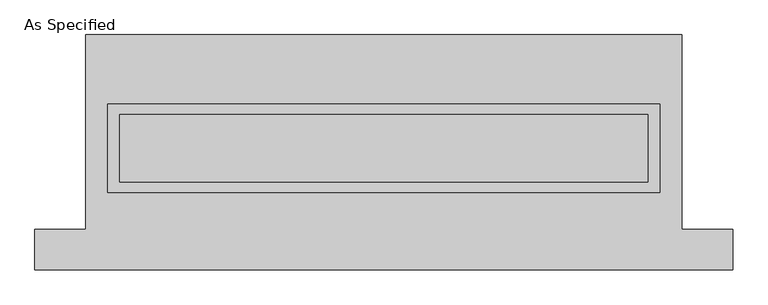
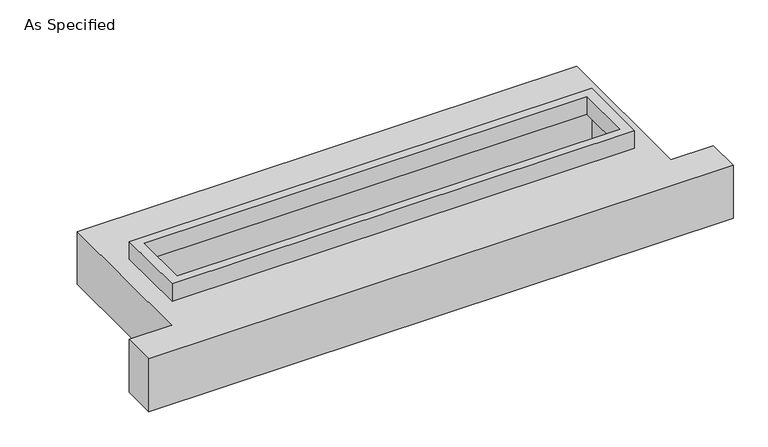
"""IFC4 building model written with IfcOpenShell, lengths in millimetres: proxy geometry, As Specified."""

import ifcopenshell
import ifcopenshell.guid

model = None  # the IFC model being written
_history = None  # IfcOwnerHistory: only IFC2X3 demands one
_inside = {}  # id of a spatial element -> (the spatial element, [elements in it])
_under = {}  # id of a project, library or spatial element -> (it, [spatial elements below it])
_declared = {}  # id of a project -> (the project, [libraries it declares])
_typed = {}  # id of a type object -> (the type object, [elements of that type])
_made_of = {}  # id of a material, layer set ... -> (it, [elements and type objects made of it])


def new_model(schema):
    """Start an empty IFC model of exactly this schema.

    Asked for "IFC4X3", IfcOpenShell would pick the latest addendum, in which some entities
    have other attributes; the version numbers below select the first issue.
    IFC2X3 requires an IfcOwnerHistory on every rooted entity: one is made here for all.
    """
    global model, _history
    if schema == "IFC4X3":
        model = ifcopenshell.file(schema_version=(4, 3, 0, 0))
    else:
        model = ifcopenshell.file(schema=schema)
    _inside.clear()
    _under.clear()
    _declared.clear()
    _typed.clear()
    _made_of.clear()
    _history = None
    if model.schema == "IFC2X3":
        org = make("IfcOrganization", Name="unknown")
        user = make(
            "IfcPersonAndOrganization",
            ThePerson=make("IfcPerson", FamilyName="unknown"),
            TheOrganization=org,
        )
        app = make(
            "IfcApplication",
            ApplicationDeveloper=org,
            Version="unknown",
            ApplicationFullName="unknown",
            ApplicationIdentifier="unknown",
        )
        _history = make(
            "IfcOwnerHistory",
            OwningUser=user,
            OwningApplication=app,
            ChangeAction="ADDED",
            CreationDate=0,
        )
    return model


def make(cls, **values):
    """One entity of the class cls with the attributes given. An attribute that is None is left unset."""
    return model.create_entity(
        cls, **{name: value for name, value in values.items() if value is not None}
    )


def rooted(cls, **values):
    """An entity with a GlobalId (a new one), such as an element, a storey or a relation."""
    return make(cls, GlobalId=ifcopenshell.guid.new(), OwnerHistory=_history, **values)


def si_unit(unit_type, name, prefix=None):
    """IfcSIUnit, for example si_unit("LENGTHUNIT", "METRE", prefix="MILLI")."""
    return make("IfcSIUnit", UnitType=unit_type, Prefix=prefix, Name=name)


def assignment(units):
    """IfcUnitAssignment: the units of a project."""
    return None if units is None else make("IfcUnitAssignment", Units=units)


def point(xyz):
    """IfcCartesianPoint."""
    return None if xyz is None else make("IfcCartesianPoint", Coordinates=xyz)


def direction(xyz):
    """IfcDirection."""
    return None if xyz is None else make("IfcDirection", DirectionRatios=xyz)


def frame(location, z_axis=None, x_axis=None):
    """IfcAxis2Placement3D, a coordinate frame: its origin and axes. An axis left out is left unset."""
    return make(
        "IfcAxis2Placement3D",
        Location=point(location),
        Axis=direction(z_axis),
        RefDirection=direction(x_axis),
    )


def origin():
    """The frame at (0, 0, 0) with its axes left unset."""
    return frame((0.0, 0.0, 0.0))


def place(relative_to, where):
    """IfcLocalPlacement: puts the frame where relative to a parent placement (None: the world)."""
    return make(
        "IfcLocalPlacement", PlacementRelTo=relative_to, RelativePlacement=where
    )


def context(
    kind, dimensions, precision=None, world=None, true_north=None, identifier=None
):
    """IfcGeometricRepresentationContext, for example the 3D "Model" context."""
    return make(
        "IfcGeometricRepresentationContext",
        ContextIdentifier=identifier,
        ContextType=kind,
        CoordinateSpaceDimension=dimensions,
        Precision=precision,
        WorldCoordinateSystem=world,
        TrueNorth=true_north,
    )


def project(units=None, contexts=None):
    """IfcProject with its units and contexts."""
    return rooted(
        "IfcProject",
        Name="project",
        RepresentationContexts=contexts,
        UnitsInContext=assignment(units),
    )


def spatial(cls, under=None, at=None, **own):
    """A site, building, storey or space (cls), placed at a placement, below another one or the project."""
    s = rooted(cls, ObjectPlacement=at, **own)
    if under is not None:
        _under.setdefault(under.id(), (under, []))[1].append(s)
    return s


def polyline(points):
    """IfcPolyline through the points."""
    return make("IfcPolyline", Points=[point(p) for p in points])


def outline(outer, holes=None, kind="AREA"):
    """IfcArbitraryClosedProfileDef: a profile drawn as a closed curve; with holes, ...WithVoids."""
    if holes is None:
        return make("IfcArbitraryClosedProfileDef", ProfileType=kind, OuterCurve=outer)
    return make(
        "IfcArbitraryProfileDefWithVoids",
        ProfileType=kind,
        OuterCurve=outer,
        InnerCurves=holes,
    )


def extrude(swept, where, along, depth):
    """IfcExtrudedAreaSolid: the profile swept, set in the frame where, extruded along a direction by depth."""
    return make(
        "IfcExtrudedAreaSolid",
        SweptArea=swept,
        Position=where,
        ExtrudedDirection=direction(along),
        Depth=depth,
    )


def faces_of(points, faces, orient=None, outer=None):
    """IfcFace entities. A face is a list of loops; a loop is a list of indices into points, from 0.

    orient and outer hold one flag for each loop. By default every Orientation is true, the
    first loop of a face is its IfcFaceOuterBound and the others are IfcFaceBound.
    """
    made = []
    for i, loops in enumerate(faces):
        bounds = []
        for j, loop in enumerate(loops):
            is_outer = j == 0 if outer is None else outer[i][j]
            bounds.append(
                make(
                    "IfcFaceOuterBound" if is_outer else "IfcFaceBound",
                    Bound=make("IfcPolyLoop", Polygon=[points[k] for k in loop]),
                    Orientation=True if orient is None else orient[i][j],
                )
            )
        made.append(make("IfcFace", Bounds=bounds))
    return made


def faceted_brep(points, faces, orient=None, outer=None, voids=None):
    """IfcFacetedBrep: a solid bounded by flat faces; with voids (closed shells), ...WithVoids."""
    shared = [point(p) for p in points]
    hull = make("IfcClosedShell", CfsFaces=faces_of(shared, faces, orient, outer))
    if voids is None:
        return make("IfcFacetedBrep", Outer=hull)
    return make(
        "IfcFacetedBrepWithVoids",
        Outer=hull,
        Voids=[
            make(cls, CfsFaces=faces_of(shared, fs, o, b)) for cls, fs, o, b in voids
        ],
    )


def shape(context_of_items, identifier, shape_type, items):
    """IfcShapeRepresentation: the items that make up one representation, for example the "Body"."""
    return make(
        "IfcShapeRepresentation",
        ContextOfItems=context_of_items,
        RepresentationIdentifier=identifier,
        RepresentationType=shape_type,
        Items=items,
    )


def source(mapping_origin, context_of_items, identifier, shape_type, items):
    """IfcRepresentationMap: a shape defined once, which mapped items show again and again."""
    return make(
        "IfcRepresentationMap",
        MappingOrigin=mapping_origin,
        MappedRepresentation=shape(context_of_items, identifier, shape_type, items),
    )


def transform(
    local_origin,
    x_axis=None,
    y_axis=None,
    z_axis=None,
    scale=None,
    scale2=None,
    scale3=None,
    uniform=True,
):
    """IfcCartesianTransformationOperator3D, or its non-uniform kind. x_axis, y_axis, z_axis: its Axis1, 2, 3."""
    if uniform:
        return make(
            "IfcCartesianTransformationOperator3D",
            Axis1=direction(x_axis),
            Axis2=direction(y_axis),
            LocalOrigin=point(local_origin),
            Scale=scale,
            Axis3=direction(z_axis),
        )
    return make(
        "IfcCartesianTransformationOperator3DnonUniform",
        Axis1=direction(x_axis),
        Axis2=direction(y_axis),
        LocalOrigin=point(local_origin),
        Scale=scale,
        Axis3=direction(z_axis),
        Scale2=scale2,
        Scale3=scale3,
    )


def mapped(mapping_source, mapping_target):
    """IfcMappedItem: shows the shape of a source again, moved by a transform."""
    return make(
        "IfcMappedItem", MappingSource=mapping_source, MappingTarget=mapping_target
    )


def made_of(thing, what):
    """Note that an element or type object is made of a material, layer set ...; save() writes the relation."""
    if what is not None:
        _made_of.setdefault(what.id(), (what, []))[1].append(thing)
    return thing


def element(
    cls,
    number,
    at=None,
    inside=None,
    cuts=None,
    type_object=None,
    material=None,
    context=None,
    identifier="Body",
    shape_type=None,
    held_by="IfcProductDefinitionShape",
    body=None,
    shapes=None,
    **own,
):
    """One element of the class cls, such as IfcWall. Its Tag is "e" and its number.

    at: its placement. inside: the storey or other place that contains it. cuts: it is an
    opening in that element (IfcRelVoidsElement). A single representation is given by context,
    identifier, shape_type and body (its items); several are given by shapes. held_by: the class
    of the entity that holds the representations. save() writes the other relations.
    """
    e = rooted(cls, Tag="e%d" % number, ObjectPlacement=at, **own)
    if body is not None:
        shapes = [shape(context, identifier, shape_type, body)]
    if shapes is not None:
        e.Representation = make(held_by, Representations=shapes)
    if inside is not None:
        _inside.setdefault(inside.id(), (inside, []))[1].append(e)
    if cuts is not None:
        rooted(
            "IfcRelVoidsElement", RelatingBuildingElement=cuts, RelatedOpeningElement=e
        )
    if type_object is not None:
        _typed.setdefault(type_object.id(), (type_object, []))[1].append(e)
    return made_of(e, material)


def aggregate(whole, parts):
    """IfcRelAggregates: a whole, such as a stair, and the parts it consists of."""
    return rooted("IfcRelAggregates", RelatingObject=whole, RelatedObjects=parts)


def save(model, path):
    """Write the relations noted so far, then the file.

    IfcRelAggregates (storeys below a building ...), IfcRelContainedInSpatialStructure (elements
    in a storey), IfcRelDefinesByType, IfcRelAssociatesMaterial and IfcRelDeclares: one each for
    every whole, place, type object, material and project.
    """
    for whole, parts in _under.values():
        aggregate(whole, parts)
    for where, things in _inside.values():
        rooted(
            "IfcRelContainedInSpatialStructure",
            RelatedElements=things,
            RelatingStructure=where,
        )
    for kind, things in _typed.values():
        rooted("IfcRelDefinesByType", RelatedObjects=things, RelatingType=kind)
    for what, things in _made_of.values():
        rooted("IfcRelAssociatesMaterial", RelatedObjects=things, RelatingMaterial=what)
    for by, libraries in _declared.values():
        rooted("IfcRelDeclares", RelatingContext=by, RelatedDefinitions=libraries)
    model.write(path)


def as_specified_cb8fbd40(model_context):
    return source(origin(), model_context, "Body", "SolidModel", [
        extrude(outline(polyline([(2070.1, 361.95), (2070.1, -298.45), (-2070.1, -298.45), (-2070.1, 361.95), (2070.1, 361.95)]), holes=[polyline([(1981.2, 285.75), (-1981.2, 285.75), (-1981.2, -222.25), (1981.2, -222.25), (1981.2, 285.75)])]), frame((0.0, 0.0, -25.4), z_axis=(0.0, 0.0, 1.0), x_axis=(1.0, 0.0, 0.0)), (0.0, 0.0, 1.0), 165.1),
        faceted_brep([(-2235.2, 882.65, -523.875), (2235.2, 882.65, -523.875), (2235.2, -577.85, -523.875), (2616.2, -577.85, -523.875), (2616.2, -882.65, -523.875), (-2616.2, -882.65, -523.875), (-2616.2, -577.85, -523.875), (-2235.2, -577.85, -523.875), (2235.2, 882.65, -25.4), (-2235.2, 882.65, -25.4), (-2235.2, -577.85, -25.4), (-2616.2, -577.85, -25.4), (-2616.2, -882.65, -25.4), (2616.2, -882.65, -25.4), (2616.2, -577.85, -25.4), (2235.2, -577.85, -25.4), (-2070.1, -298.45, -25.4), (-2070.1, 361.95, -25.4), (2070.1, 361.95, -25.4), (2070.1, -298.45, -25.4), (2070.1, 361.95, -498.475), (-2070.1, 361.95, -498.475), (-2070.1, -298.45, -498.475), (2070.1, -298.45, -498.475)], [[[0, 1, 2, 3, 4, 5, 6, 7]], [[8, 9, 10, 11, 12, 13, 14, 15], [16, 17, 18, 19]], [[1, 0, 9, 8]], [[9, 0, 7, 10]], [[1, 8, 15, 2]], [[20, 21, 22, 23]], [[22, 21, 17, 16]], [[21, 20, 18, 17]], [[20, 23, 19, 18]], [[23, 22, 16, 19]], [[5, 4, 13, 12]], [[3, 2, 15, 14]], [[4, 3, 14, 13]], [[7, 6, 11, 10]], [[6, 5, 12, 11]]]),
    ])


if __name__ == "__main__":
    model = new_model("IFC4")
    model_context = context("Model", 3, world=origin())
    ifc_project = project(units=[si_unit("LENGTHUNIT", "METRE", prefix="MILLI")], contexts=[model_context])
    site = spatial("IfcSite", under=ifc_project)
    building = spatial("IfcBuilding", under=site)
    placement = place(None, origin())
    as_specified_shape = as_specified_cb8fbd40(model_context)
    element("IfcBuildingElementProxy", 1, Name="As Specified", ObjectType="As Specified", at=placement, inside=building, context=model_context, shape_type="MappedRepresentation", body=[
        mapped(as_specified_shape, transform((0.0, 0.0, 0.0), x_axis=(1.0, 0.0, 0.0), y_axis=(0.0, 1.0, 0.0), z_axis=(0.0, 0.0, 1.0))),
    ])
    save(model, "model.ifc")
